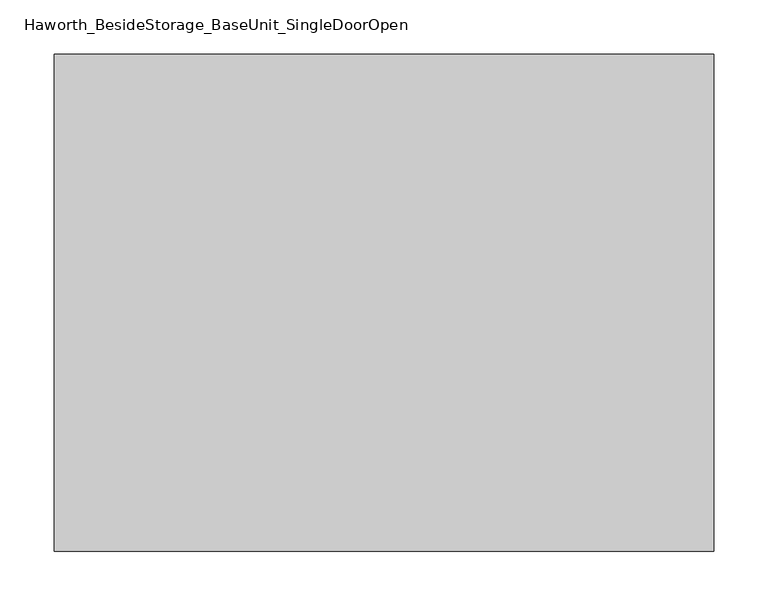
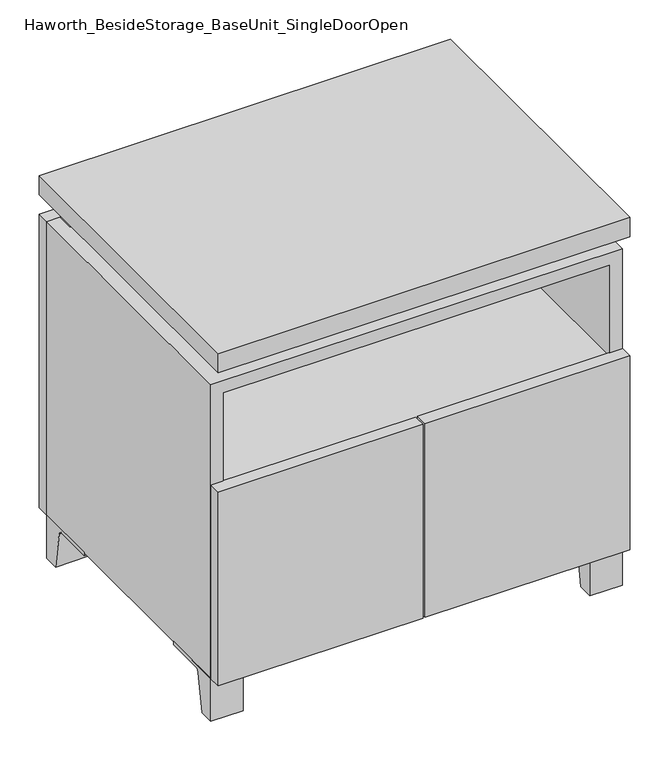
"""IFC4 building model written with IfcOpenShell, lengths in millimetres: furniture geometry, Haworth_BesideStorage_BaseUnit_SingleDoorOpen."""

from ifc_helpers import new_model, si_unit, point, frame, frame_2d, origin, place, context, project, spatial, polyline, circle_curve, trimmed, segment, composite_curve, outline, extrude, faceted_brep, source, transform, mapped, element, save


def haworth_besidestorage_baseunit_singledooropen_82556ed7(model_context):
    return source(origin(), model_context, "Body", "SolidModel", [
        extrude(outline(composite_curve([segment(polyline([(-123.2958469, 0.0), (-146.05, 0.0), (-146.05, 66.675), (-50.8, 66.675), (-50.8, 61.8963321), (-107.6005345, 61.8963321)]), True, "CONTINUOUS"), segment(trimmed(circle_curve(frame_2d((-107.6005345, 55.5463321)), 6.35), [point((-107.6005345, 61.8963321))], [point((-113.8641359, 56.5902656))], True, "CARTESIAN"), True, "CONTINUOUS"), segment(polyline([(-113.8641359, 56.5902656), (-123.2958469, 0.0)]), True, "CONTINUOUS")], self_intersect=False)), frame((255.6013906, 0.0, 0.0), z_axis=(1.0, 0.0, 0.0), x_axis=(0.0, 1.0, 0.0)), (0.0, 0.0, 1.0), 47.625),
        extrude(outline(composite_curve([segment(polyline([(250.2958469, 0.0), (240.8641359, 56.5902656)]), True, "CONTINUOUS"), segment(trimmed(circle_curve(frame_2d((234.6005345, 55.5463321)), 6.35), [point((240.8641359, 56.5902656))], [point((234.6005345, 61.8963321))], True, "CARTESIAN"), True, "CONTINUOUS"), segment(polyline([(234.6005345, 61.8963321), (177.8, 61.8963321), (177.8, 66.675), (273.05, 66.675), (273.05, 0.0), (250.2958469, 0.0)]), True, "CONTINUOUS")], self_intersect=False)), frame((255.6013906, 0.0, 0.0), z_axis=(1.0, 0.0, 0.0), x_axis=(0.0, 1.0, 0.0)), (0.0, 0.0, 1.0), 47.625),
        extrude(outline(composite_curve([segment(polyline([(-123.2958469, 0.0), (-146.05, 0.0), (-146.05, 66.675), (-50.8, 66.675), (-50.8, 61.8963321), (-107.6005345, 61.8963321)]), True, "CONTINUOUS"), segment(trimmed(circle_curve(frame_2d((-107.6005345, 55.5463321)), 6.35), [point((-107.6005345, 61.8963321))], [point((-113.8641359, 56.5902656))], True, "CARTESIAN"), True, "CONTINUOUS"), segment(polyline([(-113.8641359, 56.5902656), (-123.2958469, 0.0)]), True, "CONTINUOUS")], self_intersect=False)), frame((-303.1986094, 0.0, 0.0), z_axis=(1.0, 0.0, 0.0), x_axis=(0.0, 1.0, 0.0)), (0.0, 0.0, 1.0), 47.625),
        extrude(outline(composite_curve([segment(polyline([(250.2958469, 0.0), (240.8641359, 56.5902656)]), True, "CONTINUOUS"), segment(trimmed(circle_curve(frame_2d((234.6005345, 55.5463321)), 6.35), [point((240.8641359, 56.5902656))], [point((234.6005345, 61.8963321))], True, "CARTESIAN"), True, "CONTINUOUS"), segment(polyline([(234.6005345, 61.8963321), (177.8, 61.8963321), (177.8, 66.675), (273.05, 66.675), (273.05, 0.0), (250.2958469, 0.0)]), True, "CONTINUOUS")], self_intersect=False)), frame((-303.1986094, 0.0, 0.0), z_axis=(1.0, 0.0, 0.0), x_axis=(0.0, 1.0, 0.0)), (0.0, 0.0, 1.0), 47.625),
        faceted_brep([(-303.1986094, -146.05, 66.675), (303.2125, -146.05, 66.675), (303.2125, -146.05, 523.875), (-303.1986094, -146.05, 523.875), (-284.1486094, -146.05, 85.725), (-284.1486094, -146.05, 504.825), (284.1694453, -146.05, 504.825), (284.1486094, -146.05, 85.725), (-303.1986094, 273.05, 66.675), (-303.1986094, 273.05, 523.875), (-284.1486094, 273.05, 523.875), (-284.1486094, 273.05, 85.725), (284.1486094, 273.05, 85.725), (284.1486094, 273.05, 523.875), (303.2125, 273.05, 523.875), (303.2125, 273.05, 66.675), (284.1486094, 247.65, 523.875), (-284.1416641, 247.65, 523.875), (-284.1486094, 247.65, 504.825), (284.1486094, 247.65, 504.825)], [[[0, 1, 2, 3], [4, 5, 6, 7]], [[8, 9, 10, 11, 12, 13, 14, 15]], [[1, 0, 8, 15]], [[2, 1, 15, 14]], [[3, 2, 14, 13, 16, 17, 10, 9]], [[0, 3, 9, 8]], [[11, 10, 17, 18, 5, 4]], [[13, 12, 7, 6, 19, 16]], [[4, 7, 12, 11]], [[6, 5, 18, 19]], [[17, 16, 19, 18]]]),
        extrude(outline(polyline([(303.2263906, -165.1), (-303.1986094, -165.1), (-303.1986094, 292.1), (303.2263906, 292.1), (303.2263906, -165.1)])), frame((0.0, 0.0, 554.0375), z_axis=(0.0, 0.0, 1.0), x_axis=(1.0, 0.0, 0.0)), (0.0, 0.0, 1.0), 30.1625),
        faceted_brep([(7.9513906, -69.85, 554.0375), (7.9513906, -69.85, 523.875), (7.9513906, 53.975, 523.875), (7.9513906, 53.975, 554.0375), (7.9513906, 196.85, 523.875), (7.9513906, 196.85, 554.0375), (7.9513906, 73.025, 554.0375), (7.9513906, 73.025, 523.875), (-7.9236094, 196.85, 554.0375), (-7.9236094, 196.85, 523.875), (-7.9236094, 73.025, 523.875), (-7.9236094, 73.025, 554.0375), (-7.9236094, -69.85, 523.875), (-7.9236094, -69.85, 554.0375), (-7.9236094, 53.975, 554.0375), (-7.9236094, 53.975, 523.875), (-261.8958281, 73.025, 554.0375), (-261.9166641, 247.65, 554.0375), (-277.7916641, 247.65, 554.0375), (-277.7916641, -120.65, 554.0375), (-261.9166641, -120.65, 554.0375), (-261.9166641, 53.975, 554.0375), (261.9236094, 53.975, 554.0375), (261.9236094, -120.65, 554.0375), (277.7986094, -120.65, 554.0375), (277.7986094, 247.65, 554.0375), (261.9236094, 247.65, 554.0375), (261.9236094, 73.025, 554.0375), (-261.8958281, 53.975, 523.875), (-261.9166641, -120.65, 523.875), (-277.7916641, -120.65, 523.875), (-277.7916641, 247.65, 523.875), (-261.9166641, 247.65, 523.875), (-261.9166641, 73.025, 523.875), (261.9236094, 73.025, 523.875), (261.9236094, 247.65, 523.875), (277.7986094, 247.65, 523.875), (277.7986094, -120.65, 523.875), (261.9236094, -120.65, 523.875), (261.9236094, 53.975, 523.875)], [[[0, 1, 2, 3]], [[4, 5, 6, 7]], [[8, 9, 10, 11]], [[12, 13, 14, 15]], [[5, 8, 11, 16, 17, 18, 19, 20, 21, 14, 13, 0, 3, 22, 23, 24, 25, 26, 27, 6]], [[1, 12, 15, 28, 29, 30, 31, 32, 33, 10, 9, 4, 7, 34, 35, 36, 37, 38, 39, 2]], [[5, 4, 9, 8]], [[1, 0, 13, 12]], [[6, 27, 34, 7]], [[22, 3, 2, 39]], [[20, 29, 28, 21]], [[32, 17, 16, 33]], [[18, 31, 30, 19]], [[29, 20, 19, 30]], [[17, 32, 31, 18]], [[26, 35, 34, 27]], [[38, 23, 22, 39]], [[25, 24, 37, 36]], [[23, 38, 37, 24]], [[35, 26, 25, 36]], [[16, 11, 10, 33]], [[14, 21, 28, 15]]]),
        extrude(outline(polyline([(303.2263906, 273.05), (-303.1986094, 273.05), (-303.1986094, 292.1), (303.2263906, 292.1), (303.2263906, 273.05)])), frame((0.0, 0.0, 66.675), z_axis=(0.0, 0.0, 1.0), x_axis=(1.0, 0.0, 0.0)), (0.0, 0.0, 1.0), 457.2),
        extrude(outline(polyline([(-284.1416641, 203.2), (-284.1416641, 209.55), (284.1694453, 209.55), (284.1694453, 203.2), (-284.1416641, 203.2)])), frame((0.0, 0.0, 85.725), z_axis=(0.0, 0.0, 1.0), x_axis=(1.0, 0.0, 0.0)), (0.0, 0.0, 1.0), 419.1),
        extrude(outline(polyline([(1.6013906, -165.1), (1.6013906, -146.05), (303.2263906, -146.05), (303.2263906, -165.1), (1.6013906, -165.1)])), frame((0.0, 0.0, 66.675), z_axis=(0.0, 0.0, 1.0), x_axis=(1.0, 0.0, 0.0)), (0.0, 0.0, 1.0), 301.625),
        extrude(outline(polyline([(-1.5736094, -165.1), (-303.1986094, -165.1), (-303.1986094, -146.05), (-1.5736094, -146.05), (-1.5736094, -165.1)])), frame((0.0, 0.0, 66.675), z_axis=(0.0, 0.0, 1.0), x_axis=(1.0, 0.0, 0.0)), (0.0, 0.0, 1.0), 301.625),
        extrude(outline(polyline([(284.1486094, 203.2), (284.1486094, -146.05), (-284.1486094, -146.05), (-284.1486094, 203.2), (284.1486094, 203.2)])), frame((0.0, 0.0, 344.4875), z_axis=(0.0, 0.0, 1.0), x_axis=(1.0, 0.0, 0.0)), (0.0, 0.0, 1.0), 19.05),
    ])


if __name__ == "__main__":
    model = new_model("IFC4")
    model_context = context("Model", 3, world=origin())
    ifc_project = project(units=[si_unit("LENGTHUNIT", "METRE", prefix="MILLI")], contexts=[model_context])
    site = spatial("IfcSite", under=ifc_project)
    building = spatial("IfcBuilding", under=site)
    placement = place(None, origin())
    haworth_besidestorage_baseunit_singledooropen_shape = haworth_besidestorage_baseunit_singledooropen_82556ed7(model_context)
    element("IfcFurniture", 1, ObjectType="Haworth_BesideStorage_BaseUnit_SingleDoorOpen", at=placement, inside=building, context=model_context, shape_type="MappedRepresentation", body=[
        mapped(haworth_besidestorage_baseunit_singledooropen_shape, transform((0.0, 0.0, 0.0), x_axis=(1.0, 0.0, 0.0), y_axis=(0.0, 1.0, 0.0), z_axis=(0.0, 0.0, 1.0))),
    ])
    save(model, "model.ifc")
